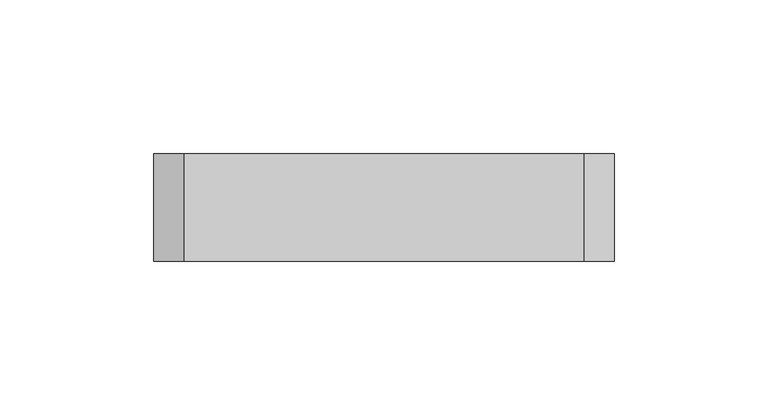
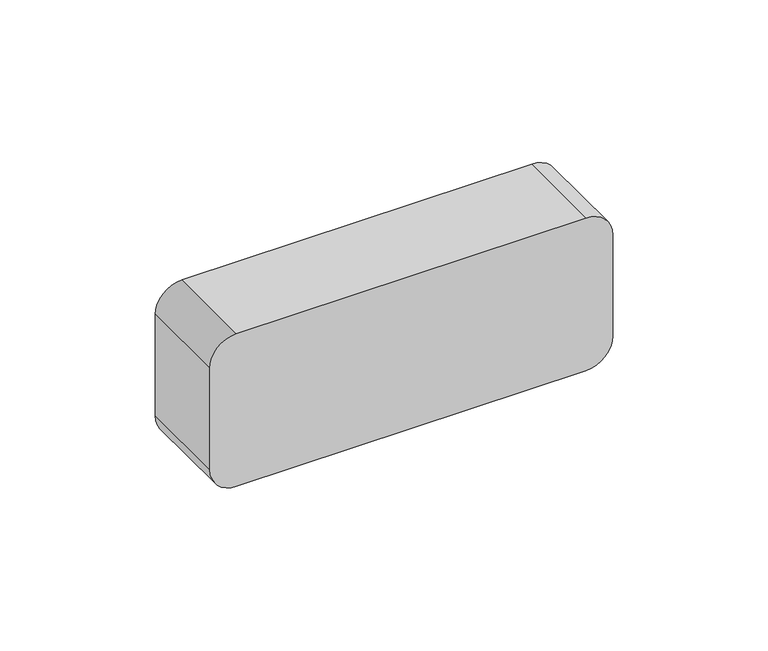
"""IFC4 building model written with IfcOpenShell, lengths in millimetres: proxy geometry."""

from ifc_helpers import new_model, si_unit, frame, origin, place, context, project, spatial, polyline, circle_curve, source, transform, mapped, element, save
from ifc_brep_helpers import plane_surface, cylinder_surface, revolved_surface, advanced_brep


def electrical_fixtures_d2f8e34e(model_context):
    return source(origin(), model_context, "Body", "AdvancedBrep", [
        advanced_brep(
        [(60.0, 35.0, 210.0), (190.0, 35.0, 210.0), (200.0, 35.0, 200.0), (200.0, 35.0, 160.0), (190.0, 35.0, 150.0), (60.0, 35.0, 150.0), (50.0, 35.0, 160.0), (50.0, 35.0, 200.0), (170.0, 35.0, 199.0), (170.0, 35.0, 161.0), (125.0, 35.0, 199.0), (125.0, 35.0, 161.0), (80.0, 35.0, 199.0), (80.0, 35.0, 161.0), (60.0, 0.0, 210.0), (50.0, 0.0, 200.0), (50.0, 0.0, 160.0), (60.0, 0.0, 150.0), (190.0, 0.0, 150.0), (200.0, 0.0, 160.0), (200.0, 0.0, 200.0), (190.0, 0.0, 210.0), (170.0, 23.0, 199.0), (170.0, 23.0, 161.0), (178.8542367, 23.0, 182.0), (178.8542367, 23.0, 178.0), (161.1457633, 23.0, 182.0), (161.1457633, 23.0, 178.0), (125.0, 23.0, 199.0), (125.0, 23.0, 161.0), (133.8542367, 23.0, 182.0), (133.8542367, 23.0, 178.0), (116.1457633, 23.0, 182.0), (116.1457633, 23.0, 178.0), (133.8542367, 15.0, 182.0), (133.8542367, 15.0, 178.0), (116.1457633, 15.0, 182.0), (116.1457633, 15.0, 178.0), (178.8542367, 15.0, 182.0), (178.8542367, 15.0, 178.0), (161.1457633, 15.0, 182.0), (161.1457633, 15.0, 178.0), (88.8542367, 15.0, 182.0), (88.8542367, 15.0, 178.0), (71.1457633, 15.0, 182.0), (71.1457633, 15.0, 178.0), (88.8542367, 23.0, 178.0), (88.8542367, 23.0, 182.0), (71.1457633, 23.0, 178.0), (71.1457633, 23.0, 182.0), (80.0, 23.0, 199.0), (80.0, 23.0, 161.0)],
        [
            (0, 1),
            (1, 2, circle_curve(frame((190.0, 35.0, 200.0), z_axis=(0.0, 1.0, 0.0), x_axis=(-1.0, 0.0, 0.0)), 10.0)),
            (2, 3),
            (3, 4, circle_curve(frame((190.0, 35.0, 160.0), z_axis=(0.0, 1.0, 0.0), x_axis=(-1.0, 0.0, 0.0)), 10.0)),
            (4, 5),
            (5, 6, circle_curve(frame((60.0, 35.0, 160.0), z_axis=(0.0, 1.0, 0.0), x_axis=(-1.0, 0.0, 0.0)), 10.0)),
            (6, 7),
            (7, 0, circle_curve(frame((60.0, 35.0, 200.0), z_axis=(0.0, 1.0, 0.0), x_axis=(-1.0, 0.0, 0.0)), 10.0)),
            (8, 9, circle_curve(frame((170.0, 35.0, 180.0), z_axis=(0.0, -1.0, 0.0), x_axis=(0.0, 0.0, -1.0)), 19.0)),
            (9, 8, circle_curve(frame((170.0, 35.0, 180.0), z_axis=(0.0, -1.0, 0.0), x_axis=(0.0, 0.0, -1.0)), 19.0)),
            (10, 11, circle_curve(frame((125.0, 35.0, 180.0), z_axis=(0.0, -1.0, 0.0), x_axis=(0.0, 0.0, -1.0)), 19.0)),
            (11, 10, circle_curve(frame((125.0, 35.0, 180.0), z_axis=(0.0, -1.0, 0.0), x_axis=(0.0, 0.0, -1.0)), 19.0)),
            (12, 13, circle_curve(frame((80.0, 35.0, 180.0), z_axis=(0.0, -1.0, 0.0), x_axis=(0.0, 0.0, -1.0)), 19.0)),
            (13, 12, circle_curve(frame((80.0, 35.0, 180.0), z_axis=(0.0, -1.0, 0.0), x_axis=(0.0, 0.0, -1.0)), 19.0)),
            (14, 15, circle_curve(frame((60.0, 0.0, 200.0), z_axis=(0.0, -1.0, 0.0), x_axis=(-1.0, 0.0, 0.0)), 10.0)),
            (15, 16),
            (16, 17, circle_curve(frame((60.0, 0.0, 160.0), z_axis=(0.0, -1.0, 0.0), x_axis=(-1.0, 0.0, 0.0)), 10.0)),
            (17, 18),
            (18, 19, circle_curve(frame((190.0, 0.0, 160.0), z_axis=(0.0, -1.0, 0.0), x_axis=(-1.0, 0.0, 0.0)), 10.0)),
            (19, 20),
            (20, 21, circle_curve(frame((190.0, 0.0, 200.0), z_axis=(0.0, -1.0, 0.0), x_axis=(-1.0, 0.0, 0.0)), 10.0)),
            (21, 14),
            (0, 14),
            (21, 1),
            (2, 20),
            (19, 3),
            (4, 18),
            (17, 5),
            (6, 16),
            (15, 7),
            (22, 23, circle_curve(frame((170.0, 23.0, 180.0), z_axis=(0.0, 1.0, 0.0), x_axis=(0.0, 0.0, -1.0)), 19.0)),
            (23, 22, circle_curve(frame((170.0, 23.0, 180.0), z_axis=(0.0, 1.0, 0.0), x_axis=(0.0, 0.0, -1.0)), 19.0)),
            (24, 25, circle_curve(frame((178.8542367, 23.0, 180.0), z_axis=(0.0, -1.0, 0.0), x_axis=(0.0, 0.0, -1.0)), 2.0)),
            (25, 24, circle_curve(frame((178.8542367, 23.0, 180.0), z_axis=(0.0, -1.0, 0.0), x_axis=(0.0, 0.0, -1.0)), 2.0)),
            (26, 27, circle_curve(frame((161.1457633, 23.0, 180.0), z_axis=(0.0, -1.0, 0.0), x_axis=(0.0, 0.0, -1.0)), 2.0)),
            (27, 26, circle_curve(frame((161.1457633, 23.0, 180.0), z_axis=(0.0, -1.0, 0.0), x_axis=(0.0, 0.0, -1.0)), 2.0)),
            (23, 9),
            (8, 22),
            (28, 29, circle_curve(frame((125.0, 23.0, 180.0), z_axis=(0.0, 1.0, 0.0), x_axis=(0.0, 0.0, -1.0)), 19.0)),
            (29, 28, circle_curve(frame((125.0, 23.0, 180.0), z_axis=(0.0, 1.0, 0.0), x_axis=(0.0, 0.0, -1.0)), 19.0)),
            (30, 31, circle_curve(frame((133.8542367, 23.0, 180.0), z_axis=(0.0, -1.0, 0.0), x_axis=(0.0, 0.0, -1.0)), 2.0)),
            (31, 30, circle_curve(frame((133.8542367, 23.0, 180.0), z_axis=(0.0, -1.0, 0.0), x_axis=(0.0, 0.0, -1.0)), 2.0)),
            (32, 33, circle_curve(frame((116.1457633, 23.0, 180.0), z_axis=(0.0, -1.0, 0.0), x_axis=(0.0, 0.0, -1.0)), 2.0)),
            (33, 32, circle_curve(frame((116.1457633, 23.0, 180.0), z_axis=(0.0, -1.0, 0.0), x_axis=(0.0, 0.0, -1.0)), 2.0)),
            (29, 11),
            (10, 28),
            (34, 35, circle_curve(frame((133.8542367, 15.0, 180.0), z_axis=(0.0, 1.0, 0.0), x_axis=(0.0, 0.0, -1.0)), 2.0)),
            (35, 34, circle_curve(frame((133.8542367, 15.0, 180.0), z_axis=(0.0, 1.0, 0.0), x_axis=(0.0, 0.0, -1.0)), 2.0)),
            (36, 37, circle_curve(frame((116.1457633, 15.0, 180.0), z_axis=(0.0, 1.0, 0.0), x_axis=(0.0, 0.0, -1.0)), 2.0)),
            (37, 36, circle_curve(frame((116.1457633, 15.0, 180.0), z_axis=(0.0, 1.0, 0.0), x_axis=(0.0, 0.0, -1.0)), 2.0)),
            (35, 31),
            (30, 34),
            (37, 33),
            (32, 36),
            (38, 39, circle_curve(frame((178.8542367, 15.0, 180.0), z_axis=(0.0, 1.0, 0.0), x_axis=(0.0, 0.0, -1.0)), 2.0)),
            (39, 38, circle_curve(frame((178.8542367, 15.0, 180.0), z_axis=(0.0, 1.0, 0.0), x_axis=(0.0, 0.0, -1.0)), 2.0)),
            (40, 41, circle_curve(frame((161.1457633, 15.0, 180.0), z_axis=(0.0, 1.0, 0.0), x_axis=(0.0, 0.0, -1.0)), 2.0)),
            (41, 40, circle_curve(frame((161.1457633, 15.0, 180.0), z_axis=(0.0, 1.0, 0.0), x_axis=(0.0, 0.0, -1.0)), 2.0)),
            (39, 25),
            (24, 38),
            (41, 27),
            (26, 40),
            (42, 43, circle_curve(frame((88.8542367, 15.0, 180.0), z_axis=(0.0, 1.0, 0.0), x_axis=(0.0, 0.0, -1.0)), 2.0)),
            (43, 42, circle_curve(frame((88.8542367, 15.0, 180.0), z_axis=(0.0, 1.0, 0.0), x_axis=(0.0, 0.0, -1.0)), 2.0)),
            (44, 45, circle_curve(frame((71.1457633, 15.0, 180.0), z_axis=(0.0, 1.0, 0.0), x_axis=(0.0, 0.0, -1.0)), 2.0)),
            (45, 44, circle_curve(frame((71.1457633, 15.0, 180.0), z_axis=(0.0, 1.0, 0.0), x_axis=(0.0, 0.0, -1.0)), 2.0)),
            (43, 46),
            (46, 47, circle_curve(frame((88.8542367, 23.0, 180.0), z_axis=(0.0, 1.0, 0.0), x_axis=(0.0, 0.0, -1.0)), 2.0)),
            (47, 42),
            (47, 46, circle_curve(frame((88.8542367, 23.0, 180.0), z_axis=(0.0, 1.0, 0.0), x_axis=(0.0, 0.0, -1.0)), 2.0)),
            (45, 48),
            (48, 49, circle_curve(frame((71.1457633, 23.0, 180.0), z_axis=(0.0, 1.0, 0.0), x_axis=(0.0, 0.0, -1.0)), 2.0)),
            (49, 44),
            (49, 48, circle_curve(frame((71.1457633, 23.0, 180.0), z_axis=(0.0, 1.0, 0.0), x_axis=(0.0, 0.0, -1.0)), 2.0)),
            (50, 51, circle_curve(frame((80.0, 23.0, 180.0), z_axis=(0.0, 1.0, 0.0), x_axis=(0.0, 0.0, -1.0)), 19.0)),
            (51, 50, circle_curve(frame((80.0, 23.0, 180.0), z_axis=(0.0, 1.0, 0.0), x_axis=(0.0, 0.0, -1.0)), 19.0)),
            (51, 13),
            (12, 50),
        ],
        [
            plane_surface(frame((190.0, 35.0, 210.0), z_axis=(0.0, 1.0, 0.0), x_axis=(1.0, 0.0, 0.0))),
            plane_surface(frame((190.0, 0.0, 210.0), z_axis=(0.0, -1.0, 0.0), x_axis=(-1.0, 0.0, 0.0))),
            plane_surface(frame((60.0, 35.0, 210.0), z_axis=(0.0, 0.0, 1.0), x_axis=(0.0, -1.0, 0.0))),
            plane_surface(frame((200.0, 35.0, 200.0), z_axis=(1.0, 0.0, 0.0), x_axis=(0.0, -1.0, 0.0))),
            plane_surface(frame((190.0, 35.0, 150.0), z_axis=(0.0, 0.0, -1.0), x_axis=(0.0, -1.0, 0.0))),
            plane_surface(frame((50.0, 35.0, 160.0), z_axis=(-1.0, 0.0, 0.0), x_axis=(0.0, -1.0, 0.0))),
            cylinder_surface(frame((190.0, 0.0, 200.0), z_axis=(0.0, 1.0, 0.0), x_axis=(-1.0, 0.0, 0.0)), 10.0),
            cylinder_surface(frame((190.0, 0.0, 160.0), z_axis=(0.0, 1.0, 0.0), x_axis=(-1.0, 0.0, 0.0)), 10.0),
            cylinder_surface(frame((60.0, 0.0, 160.0), z_axis=(0.0, 1.0, 0.0), x_axis=(-1.0, 0.0, 0.0)), 10.0),
            cylinder_surface(frame((60.0, 0.0, 200.0), z_axis=(0.0, 1.0, 0.0), x_axis=(-1.0, 0.0, 0.0)), 10.0),
            plane_surface(frame((170.0, 23.0, 161.0), z_axis=(0.0, 1.0, 0.0), x_axis=(1.0, 0.0, 0.0))),
            revolved_surface(polyline([(170.0, 23.0, 161.0), (170.0, 35.0, 161.0)]), (170.0, 35.0, 180.0), (0.0, -1.0, 0.0)),
            plane_surface(frame((125.0, 23.0, 161.0), z_axis=(0.0, 1.0, 0.0), x_axis=(1.0, 0.0, 0.0))),
            revolved_surface(polyline([(125.0, 23.0, 161.0), (125.0, 35.0, 161.0)]), (125.0, 35.0, 180.0), (0.0, -1.0, 0.0)),
            plane_surface(frame((133.8542367, 15.0, 178.0), z_axis=(0.0, 1.0, 0.0), x_axis=(1.0, 0.0, 0.0))),
            revolved_surface(polyline([(133.8542367, 15.0, 178.0), (133.8542367, 23.0, 178.0)]), (133.8542367, 23.0, 180.0), (0.0, -1.0, 0.0)),
            revolved_surface(polyline([(116.1457633, 15.0, 178.0), (116.1457633, 23.0, 178.0)]), (116.1457633, 35.0, 180.0), (0.0, -1.0, 0.0)),
            plane_surface(frame((178.8542367, 15.0, 178.0), z_axis=(0.0, 1.0, 0.0), x_axis=(1.0, 0.0, 0.0))),
            revolved_surface(polyline([(178.8542367, 15.0, 178.0), (178.8542367, 23.0, 178.0)]), (178.8542367, 23.0, 180.0), (0.0, -1.0, 0.0)),
            revolved_surface(polyline([(161.1457633, 15.0, 178.0), (161.1457633, 23.0, 178.0)]), (161.1457633, 35.0, 180.0), (0.0, -1.0, 0.0)),
            plane_surface(frame((88.8542367, 15.0, 178.0), z_axis=(0.0, 1.0, 0.0), x_axis=(1.0, 0.0, 0.0))),
            revolved_surface(polyline([(88.8542367, 15.0, 178.0), (88.8542367, 23.0, 178.0)]), (88.8542367, 23.0, 180.0), (0.0, -1.0, 0.0)),
            revolved_surface(polyline([(71.1457633, 15.0, 178.0), (71.1457633, 23.0, 178.0)]), (71.1457633, 35.0, 180.0), (0.0, -1.0, 0.0)),
            plane_surface(frame((80.0, 23.0, 161.0), z_axis=(0.0, 1.0, 0.0), x_axis=(1.0, 0.0, 0.0))),
            revolved_surface(polyline([(80.0, 23.0, 161.0), (80.0, 35.0, 161.0)]), (80.0, 35.0, 180.0), (0.0, -1.0, 0.0)),
        ],
        [
            (0, [[1, 2, 3, 4, 5, 6, 7, 8], [9, 10], [11, 12], [13, 14]]),
            (1, [[15, 16, 17, 18, 19, 20, 21, 22]]),
            (2, [[-1, 23, -22, 24]]),
            (3, [[-3, 25, -20, 26]]),
            (4, [[-5, 27, -18, 28]]),
            (5, [[-7, 29, -16, 30]]),
            (6, [[-2, -24, -21, -25]]),
            (7, [[-4, -26, -19, -27]]),
            (8, [[-6, -28, -17, -29]]),
            (9, [[-8, -30, -15, -23]]),
            (10, [[31, 32], [33, 34], [35, 36]]),
            (11, [[-32, 37, -9, 38]]),
            (11, [[-31, -38, -10, -37]]),
            (12, [[39, 40], [41, 42], [43, 44]]),
            (13, [[-40, 45, -11, 46]]),
            (13, [[-39, -46, -12, -45]]),
            (14, [[47, 48]]),
            (14, [[49, 50]]),
            (15, [[-48, 51, -41, 52]]),
            (15, [[-47, -52, -42, -51]]),
            (16, [[-50, 53, -43, 54]]),
            (16, [[-49, -54, -44, -53]]),
            (17, [[55, 56]]),
            (17, [[57, 58]]),
            (18, [[-56, 59, -33, 60]]),
            (18, [[-55, -60, -34, -59]]),
            (19, [[-58, 61, -35, 62]]),
            (19, [[-57, -62, -36, -61]]),
            (20, [[63, 64]]),
            (20, [[65, 66]]),
            (21, [[-64, 67, 68, 69]]),
            (21, [[-63, -69, 70, -67]]),
            (22, [[-66, 71, 72, 73]]),
            (22, [[-65, -73, 74, -71]]),
            (23, [[75, 76], [-68, -70], [-72, -74]]),
            (24, [[-76, 77, -13, 78]]),
            (24, [[-75, -78, -14, -77]]),
        ],
    ),
    ])


if __name__ == "__main__":
    model = new_model("IFC4")
    model_context = context("Model", 3, world=origin())
    ifc_project = project(units=[si_unit("LENGTHUNIT", "METRE", prefix="MILLI")], contexts=[model_context])
    site = spatial("IfcSite", under=ifc_project)
    building = spatial("IfcBuilding", under=site)
    placement = place(None, origin())
    electrical_fixtures_shape = electrical_fixtures_d2f8e34e(model_context)
    element("IfcBuildingElementProxy", 1, Name="Electrical Fixtures", at=placement, inside=building, context=model_context, shape_type="MappedRepresentation", body=[
        mapped(electrical_fixtures_shape, transform((0.0, 0.0, 0.0), x_axis=(1.0, 0.0, 0.0), y_axis=(0.0, 1.0, 0.0), z_axis=(0.0, 0.0, 1.0))),
    ])
    save(model, "model.ifc")
